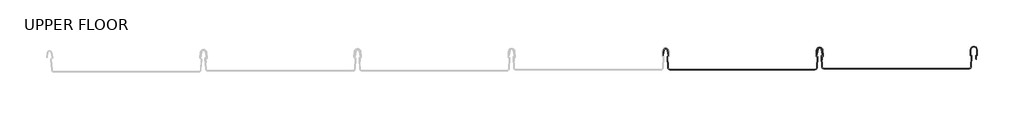
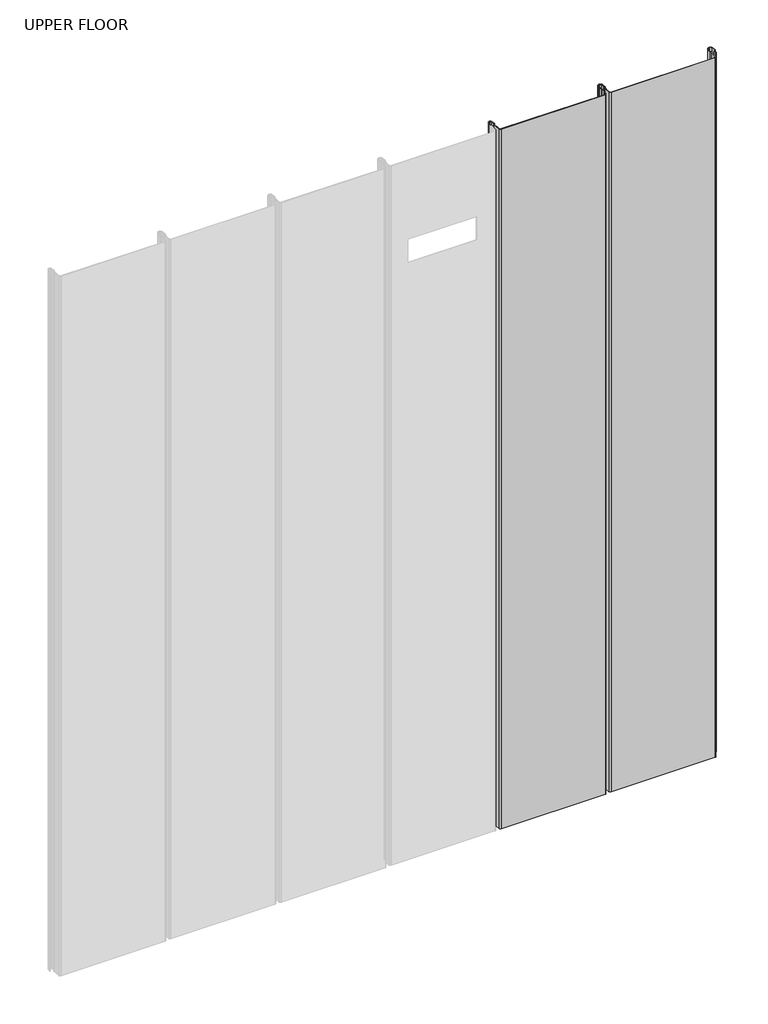
# One storey, part 3 of 3: 2 beams.
"""IFC4 building model written with IfcOpenShell, lengths in millimetres."""

from ifc_helpers import new_model, si_unit, frame, origin, place, context, project, spatial, polyline, circle_curve, element, save
from ifc_brep_helpers import plane_surface, cylinder_surface, revolved_surface, advanced_brep

model = new_model("IFC4")

# Units and contexts
model_context = context("Model", 3, world=origin())
ifc_project = project(units=[si_unit("LENGTHUNIT", "METRE", prefix="MILLI")], contexts=[model_context])

# Site, building, storey
site = spatial("IfcSite", under=ifc_project)
building = spatial("IfcBuilding", under=site)
storey = spatial("IfcBuildingStorey", under=building, Name="UPPER FLOOR", Elevation=2700.0)

# Beams
placement = place(None, origin())
element("IfcBeam", 1, at=placement, inside=storey, context=model_context, shape_type="AdvancedBrep", body=[
    advanced_brep(
    [(6877.4693205, 569.3410255, -2290.7143486), (6882.0033459, 573.1166043, -2290.7143486), (6886.5101604, 569.4772804, -2290.7143486), (6888.9571599, 558.1183435, -2290.7143486), (6887.2985005, 555.6639441, -2290.7143486), (6886.1293357, 553.9529039, -2290.7143486), (6887.6198573, 530.5432129, -2290.7143486), (6891.314309, 527.0783205, -2290.7143486), (7211.5632618, 527.0783205, -2290.7143486), (7215.2560391, 530.5472462, -2290.7143486), (7216.7255424, 554.0312459, -2290.7143486), (7216.0976147, 554.9646638, -2290.7143486), (7213.8859769, 558.0304554, -2290.7143486), (7214.7695156, 569.2069584, -2290.7143486), (7221.9991676, 575.8876384, -2290.7143486), (7229.2288196, 569.2069584, -2290.7143486), (7230.1123584, 558.0304554, -2290.7143486), (7227.9007205, 554.9646638, -2290.7143486), (7227.2727928, 554.0312459, -2290.7143486), (7227.6645073, 547.7712922, -2290.7143486), (7226.6625514, 547.7712922, -2290.7143486), (7226.2551426, 554.2820555, -2290.7143486), (7227.6605586, 555.9355176, -2290.7143486), (7229.1149792, 557.951648, -2290.7143486), (7228.2252887, 569.2059678, -2290.7143486), (7221.9991676, 574.8876384, -2290.7143486), (7215.7663116, 569.1269616, -2290.7143486), (7214.8787128, 557.8717606, -2290.7143486), (7216.3377766, 555.9355176, -2290.7143486), (7217.7431926, 554.2820555, -2290.7143486), (7216.2540871, 530.4847937, -2290.7143486), (7211.5632618, 526.0783205, -2290.7143486), (6891.3145541, 526.0783205, -2290.7143486), (6886.6218781, 530.4796704, -2290.7143486), (6885.1311436, 553.8927056, -2290.7143486), (6887.0347244, 556.629318, -2290.7143486), (6887.9713677, 557.9458683, -2290.7143486), (6885.5556827, 569.1502015, -2290.7143486), (6881.9928369, 572.11759, -2290.7143486), (6878.5188427, 569.5218997, -2290.7143486), (6876.4915919, 558.4139092, -2290.7143486), (6875.491732, 558.5979639, -2290.7143486), (7229.1149792, 557.951648, -10.7143486), (7228.2252887, 569.2059678, -10.7143486), (7227.6645073, 547.7712922, -10.7143486), (7226.6625514, 547.7712922, -10.7143486), (6876.4915919, 558.4139092, -10.7143486), (6875.491732, 558.5979639, -10.7143486), (6877.4693205, 569.3410255, -10.7143486), (6878.5188427, 569.5218997, -10.7143486), (6881.9928369, 572.11759, -10.7143486), (6885.5556827, 569.1502015, -10.7143486), (6887.9713677, 557.9458683, -10.7143486), (6887.0347244, 556.629318, -10.7143486), (6885.1311436, 553.8927056, -10.7143486), (6886.6218781, 530.4796704, -10.7143486), (6891.3145541, 526.0783205, -10.7143486), (7211.5632618, 526.0783205, -10.7143486), (7216.2540871, 530.4847937, -10.7143486), (7217.7431926, 554.2820555, -10.7143486), (7216.3377766, 555.9355176, -10.7143486), (7214.8787128, 557.8717606, -10.7143486), (7215.7663116, 569.1269616, -10.7143486), (7221.9991676, 574.8876384, -10.7143486), (7227.6605586, 555.9355176, -10.7143486), (7226.2551426, 554.2820555, -10.7143486), (7227.2727928, 554.0312459, -10.7143486), (7227.9007205, 554.9646638, -10.7143486), (7230.1057697, 558.1138004, -10.7143486), (7229.2288196, 569.2069584, -10.7143486), (7221.9991676, 575.8876384, -10.7143486), (7214.7695156, 569.2069584, -10.7143486), (7213.8859769, 558.0304554, -10.7143486), (7216.0976147, 554.9646638, -10.7143486), (7216.7255424, 554.0312459, -10.7143486), (7215.2560391, 530.5472462, -10.7143486), (7211.5632618, 527.0783205, -10.7143486), (6891.314309, 527.0783205, -10.7143486), (6887.6198573, 530.5432129, -10.7143486), (6886.1293357, 553.9529039, -10.7143486), (6887.2985005, 555.6639441, -10.7143486), (6888.9571599, 558.1183435, -10.7143486), (6886.5101604, 569.4772804, -10.7143486), (6882.0033459, 573.1166043, -10.7143486)],
    [
        (0, 1, circle_curve(frame((6882.0033459, 568.5063997, -2290.7143486), z_axis=(0.0, 0.0, -1.0), x_axis=(-1.0000000000000002, 0.0, 0.0)), 4.6102046)),
        (1, 2, circle_curve(frame((6882.0033459, 568.5063997, -2290.7143486), z_axis=(0.0, 0.0, -1.0), x_axis=(-0.21059384440200676, 0.9775736456656264, 0.0)), 4.6102046)),
        (2, 3),
        (3, 4, circle_curve(frame((6886.5729674, 557.941905, -2290.7143486), z_axis=(0.0, 0.0, -1.0), x_axis=(0.9528378408797891, 0.30347989881957954, 0.0)), 2.3907121)),
        (4, 5, circle_curve(frame((6887.8093981, 554.0598754, -2290.7143486), z_axis=(0.0, 0.0, 1.0), x_axis=(-0.06354246328301918, 0.9979791357337721, 0.0)), 1.6834645)),
        (5, 6),
        (6, 7, circle_curve(frame((6891.3123801, 530.77832, -2290.7143486), z_axis=(0.0, 0.0, 1.0), x_axis=(-0.9999998641088235, -0.0005213274739309239, 0.0)), 3.7)),
        (7, 8),
        (8, 9, circle_curve(frame((7211.5632618, 530.7783205, -2290.7143486), z_axis=(0.0, 0.0, 1.0), x_axis=(-0.06245250868722483, -0.9980479368039756, 0.0)), 3.7)),
        (9, 10),
        (10, 11, circle_curve(frame((7215.8035725, 554.0889378, -2290.7143486), z_axis=(0.0, 0.0, 1.0), x_axis=(0.9479881328261022, -0.3183056707331505, 0.0)), 0.9237732)),
        (11, 12, circle_curve(frame((7216.797637, 557.8002792, -2290.7143486), z_axis=(0.0, 0.0, -1.0), x_axis=(-0.07880737243916829, -0.9968898625471295, 0.0)), 2.9207441)),
        (12, 13),
        (13, 14, circle_curve(frame((7221.9991676, 568.635431, -2290.7143486), z_axis=(0.0, 0.0, -1.0), x_axis=(-1.0000000000000002, 0.0, 0.0)), 7.2522073)),
        (14, 15, circle_curve(frame((7221.9991676, 568.635431, -2290.7143486), z_axis=(0.0, 0.0, -1.0), x_axis=(-0.07880737243912266, 0.9968898625471331, 0.0)), 7.2522073)),
        (15, 16),
        (16, 17, circle_curve(frame((7227.1992765, 557.8023845, -2290.7143486), z_axis=(0.0, 0.0, -1.0), x_axis=(0.9707819351134734, 0.239963402329064, 0.0)), 2.9231288)),
        (17, 18, circle_curve(frame((7228.1017148, 554.1515329, -2290.7143486), z_axis=(0.0, 0.0, 1.0), x_axis=(-0.14360843272178023, 0.9896345881441262, 0.0)), 0.8376041)),
        (18, 19),
        (19, 20, circle_curve(frame((7227.1635293, 547.7712922, -2290.7143486), z_axis=(0.0, 0.0, -1.0), x_axis=(0.0, -1.0000000000000002, 0.0)), 0.5009779)),
        (20, 21),
        (21, 22, circle_curve(frame((7228.1054587, 554.1333382, -2290.7143486), z_axis=(0.0, 0.0, -1.0), x_axis=(-0.9708537722163971, -0.2396725953737565, 0.0)), 1.856283)),
        (22, 23, circle_curve(frame((7227.2002088, 557.8002792, -2290.7143486), z_axis=(0.0, 0.0, 1.0), x_axis=(0.07880737243914217, -0.9968898625471315, 0.0)), 1.9207441)),
        (23, 24),
        (24, 25, circle_curve(frame((7222.076217, 568.7198638, -2290.7143486), z_axis=(0.0, 0.0, 1.0), x_axis=(0.999921980842138, 0.012491286112137758, 0.0)), 6.1682558)),
        (25, 26, circle_curve(frame((7222.0783419, 568.5497671, -2290.7143486), z_axis=(0.0, 0.0, 1.0), x_axis=(0.09106361391822018, 0.9958450774192509, 0.0)), 6.3383658)),
        (26, 27),
        (27, 28, circle_curve(frame((7216.7021576, 557.7279616, -2290.7143486), z_axis=(0.0, 0.0, 1.0), x_axis=(-0.9799562955839812, 0.19921259685401757, 0.0)), 1.8291061)),
        (28, 29, circle_curve(frame((7215.9878224, 554.2140407, -2290.7143486), z_axis=(0.0, 0.0, -1.0), x_axis=(-0.03871763325448475, 0.9992501913310659, 0.0)), 1.7566874)),
        (29, 30),
        (30, 31, circle_curve(frame((7211.5632618, 530.7783205, -2290.7143486), z_axis=(0.0, 0.0, -1.0), x_axis=(1.0000000000000002, 0.0, 0.0)), 4.7)),
        (31, 32),
        (32, 33, circle_curve(frame((6891.3145541, 530.7806379, -2290.7143486), z_axis=(0.0, 0.0, -1.0), x_axis=(0.0640040759428298, -0.9979496371374184, 0.0)), 4.7023174)),
        (33, 34),
        (34, 35, circle_curve(frame((6887.8052555, 554.0629693, -2290.7143486), z_axis=(0.0, 0.0, -1.0), x_axis=(-0.9577619201002142, -0.2875623487279782, 0.0)), 2.6795268)),
        (35, 36, circle_curve(frame((6886.9018817, 557.7152841, -2290.7143486), z_axis=(0.0, 0.0, 1.0), x_axis=(0.21075985505235648, -0.9775378680635908, 0.0)), 1.094061)),
        (36, 37),
        (37, 38, circle_curve(frame((6881.9928369, 568.495, -2290.7143486), z_axis=(0.0, 0.0, 1.0), x_axis=(1.0000000000000002, 0.0, 0.0)), 3.6225901)),
        (38, 39, circle_curve(frame((6881.9928369, 568.495, -2290.7143486), z_axis=(0.0, 0.0, 1.0), x_axis=(0.2834711363957499, 0.9589807687490415, 0.0)), 3.6225901)),
        (39, 40),
        (40, 41, circle_curve(frame((6875.9916619, 558.5059365, -2290.7143486), z_axis=(0.0, 0.0, -1.0), x_axis=(-0.18103878268247514, -0.9834759575937013, 0.0)), 0.5083296)),
        (41, 0),
        (42, 43),
        (43, 24),
        (23, 42),
        (44, 45, circle_curve(frame((7227.1635293, 547.7712922, -10.7143486), z_axis=(0.0, 0.0, -1.0), x_axis=(0.0, -1.0000000000000002, 0.0)), 0.5009779)),
        (45, 20),
        (19, 44),
        (46, 47, circle_curve(frame((6875.9916619, 558.5059365, -10.7143486), z_axis=(0.0, 0.0, -1.0), x_axis=(-0.18103878268247514, -0.9834759575937013, 0.0)), 0.5083296)),
        (47, 41),
        (40, 46),
        (48, 47),
        (46, 49),
        (49, 50, circle_curve(frame((6881.9928369, 568.495, -10.7143486), z_axis=(0.0, 0.0, -1.0), x_axis=(0.2834711363957499, 0.9589807687490415, 0.0)), 3.6225901)),
        (50, 51, circle_curve(frame((6881.9928369, 568.495, -10.7143486), z_axis=(0.0, 0.0, -1.0), x_axis=(1.0000000000000002, 0.0, 0.0)), 3.6225901)),
        (51, 52),
        (52, 53, circle_curve(frame((6886.9018817, 557.7152841, -10.7143486), z_axis=(0.0, 0.0, -1.0), x_axis=(0.21075985505235648, -0.9775378680635908, 0.0)), 1.094061)),
        (53, 54, circle_curve(frame((6887.8052555, 554.0629693, -10.7143486), z_axis=(0.0, 0.0, 1.0), x_axis=(-0.9577619201002142, -0.2875623487279782, 0.0)), 2.6795268)),
        (54, 55),
        (55, 56, circle_curve(frame((6891.3145541, 530.7806379, -10.7143486), z_axis=(0.0, 0.0, 1.0), x_axis=(0.0640040759428298, -0.9979496371374184, 0.0)), 4.7023174)),
        (56, 57),
        (57, 58, circle_curve(frame((7211.5632618, 530.7783205, -10.7143486), z_axis=(0.0, 0.0, 1.0), x_axis=(1.0000000000000002, 0.0, 0.0)), 4.7)),
        (58, 59),
        (59, 60, circle_curve(frame((7215.9878224, 554.2140407, -10.7143486), z_axis=(0.0, 0.0, 1.0), x_axis=(-0.03871763325448475, 0.9992501913310659, 0.0)), 1.7566874)),
        (60, 61, circle_curve(frame((7216.7021576, 557.7279616, -10.7143486), z_axis=(0.0, 0.0, -1.0), x_axis=(-0.9799562955839812, 0.19921259685401757, 0.0)), 1.8291061)),
        (61, 62),
        (62, 63, circle_curve(frame((7222.0783419, 568.5497671, -10.7143486), z_axis=(0.0, 0.0, -1.0), x_axis=(0.09106361391822018, 0.9958450774192509, 0.0)), 6.3383658)),
        (63, 43, circle_curve(frame((7222.076217, 568.7198638, -10.7143486), z_axis=(0.0, 0.0, -1.0), x_axis=(0.999921980842138, 0.012491286112137758, 0.0)), 6.1682558)),
        (42, 64, circle_curve(frame((7227.2002088, 557.8002792, -10.7143486), z_axis=(0.0, 0.0, -1.0), x_axis=(0.07880737243914217, -0.9968898625471315, 0.0)), 1.9207441)),
        (64, 65, circle_curve(frame((7228.1054587, 554.1333382, -10.7143486), z_axis=(0.0, 0.0, 1.0), x_axis=(-0.9708537722163971, -0.2396725953737565, 0.0)), 1.856283)),
        (65, 45),
        (44, 66),
        (66, 67, circle_curve(frame((7228.1017148, 554.1515329, -10.7143486), z_axis=(0.0, 0.0, -1.0), x_axis=(-0.14360843272178023, 0.9896345881441262, 0.0)), 0.8376041)),
        (67, 68, circle_curve(frame((7227.1992765, 557.8023845, -10.7143486), z_axis=(0.0, 0.0, 1.0), x_axis=(0.9707819351134734, 0.239963402329064, 0.0)), 2.9231288)),
        (68, 69),
        (69, 70, circle_curve(frame((7221.9991676, 568.635431, -10.7143486), z_axis=(0.0, 0.0, 1.0), x_axis=(-0.07880737243912266, 0.9968898625471331, 0.0)), 7.2522073)),
        (70, 71, circle_curve(frame((7221.9991676, 568.635431, -10.7143486), z_axis=(0.0, 0.0, 1.0), x_axis=(-1.0000000000000002, 0.0, 0.0)), 7.2522073)),
        (71, 72),
        (72, 73, circle_curve(frame((7216.797637, 557.8002792, -10.7143486), z_axis=(0.0, 0.0, 1.0), x_axis=(-0.07880737243916829, -0.9968898625471295, 0.0)), 2.9207441)),
        (73, 74, circle_curve(frame((7215.8035725, 554.0889378, -10.7143486), z_axis=(0.0, 0.0, -1.0), x_axis=(0.9479881328261022, -0.3183056707331505, 0.0)), 0.9237732)),
        (74, 75),
        (75, 76, circle_curve(frame((7211.5632618, 530.7783205, -10.7143486), z_axis=(0.0, 0.0, -1.0), x_axis=(-0.06245250868722483, -0.9980479368039756, 0.0)), 3.7)),
        (76, 77),
        (77, 78, circle_curve(frame((6891.3123801, 530.77832, -10.7143486), z_axis=(0.0, 0.0, -1.0), x_axis=(-0.9999998641088235, -0.0005213274739309239, 0.0)), 3.7)),
        (78, 79),
        (79, 80, circle_curve(frame((6887.8093981, 554.0598754, -10.7143486), z_axis=(0.0, 0.0, -1.0), x_axis=(-0.06354246328301918, 0.9979791357337721, 0.0)), 1.6834645)),
        (80, 81, circle_curve(frame((6886.5729674, 557.941905, -10.7143486), z_axis=(0.0, 0.0, 1.0), x_axis=(0.9528378408797891, 0.30347989881957954, 0.0)), 2.3907121)),
        (81, 82),
        (82, 83, circle_curve(frame((6882.0033459, 568.5063997, -10.7143486), z_axis=(0.0, 0.0, 1.0), x_axis=(-0.21059384440200676, 0.9775736456656264, 0.0)), 4.6102046)),
        (83, 48, circle_curve(frame((6882.0033459, 568.5063997, -10.7143486), z_axis=(0.0, 0.0, 1.0), x_axis=(-1.0000000000000002, 0.0, 0.0)), 4.6102046)),
        (48, 0),
        (39, 49),
        (38, 50),
        (37, 51),
        (36, 52),
        (35, 53),
        (34, 54),
        (33, 55),
        (32, 56),
        (31, 57),
        (30, 58),
        (29, 59),
        (28, 60),
        (27, 61),
        (26, 62),
        (25, 63),
        (22, 64),
        (21, 65),
        (18, 66),
        (17, 67),
        (16, 68),
        (15, 69),
        (14, 70),
        (13, 71),
        (12, 72),
        (11, 73),
        (10, 74),
        (9, 75),
        (8, 76),
        (7, 77),
        (6, 78),
        (5, 79),
        (4, 80),
        (3, 81),
        (2, 82),
        (1, 83),
    ],
    [
        plane_surface(frame((6875.491732, 558.5979639, -2290.7143486), z_axis=(0.0, 0.0, -1.0), x_axis=(0.18103878268248982, 0.9834759575936985, 0.0))),
        plane_surface(frame((7228.670134, 563.5788079, -2290.7143486), z_axis=(-0.9968898625470922, -0.07880737243963654, 0.0), x_axis=(0.07880737243963654, -0.9968898625470922, 0.0))),
        cylinder_surface(frame((7227.1635293, 547.7712922, -2290.7143486), z_axis=(0.0, 0.0, 1.0000000000000002), x_axis=(0.0, -1.0000000000000002, 0.0)), 0.5009779),
        cylinder_surface(frame((6875.9916619, 558.5059365, -2290.7143486), z_axis=(0.0, 0.0, 1.0000000000000002), x_axis=(-0.18103878268247514, -0.9834759575937013, 0.0)), 0.5083296),
        plane_surface(frame((6875.491732, 558.5979639, -10.7143486), z_axis=(0.0, 0.0, 1.0), x_axis=(-0.18103878268248982, -0.9834759575936985, 0.0))),
        plane_surface(frame((6876.4805263, 563.9694947, -2290.7143486), z_axis=(-0.9834759575937928, 0.18103878268197757, 0.0), x_axis=(-0.18103878268197757, -0.9834759575937928, 0.0))),
        plane_surface(frame((6877.5052173, 563.9679044, -2290.7143486), z_axis=(0.9837509798366513, -0.1795383236816822, 0.0), x_axis=(0.1795383236816822, 0.9837509798366513, 0.0))),
        revolved_surface(polyline([(6883.019736632343, 571.9689942389607, -10.714348599999084), (6883.019736632343, 571.9689942389607, -2290.7143486)]), (6881.9928369, 568.495, -2290.7143486), (0.0, 0.0, 1.0000000000000002)),
        revolved_surface(polyline([(6885.615427, 568.495, -10.714348599999084), (6885.615427, 568.495, -2290.7143486)]), (6881.9928369, 568.495, -2290.7143486), (0.0, 0.0, 1.0000000000000002)),
        plane_surface(frame((6886.7635252, 563.5480349, -2290.7143486), z_axis=(-0.9775378680634894, -0.21075985505282563, 0.0), x_axis=(0.21075985505282563, -0.9775378680634894, 0.0))),
        revolved_surface(polyline([(6887.132465837778, 556.6457980425284, -10.714348599999084), (6887.132465837778, 556.6457980425284, -2290.7143486)]), (6886.9018817, 557.7152841, -2290.7143486), (0.0, 0.0, 1.0000000000000002)),
        cylinder_surface(frame((6887.8052555, 554.0629693, -2290.7143486), z_axis=(0.0, 0.0, 1.0000000000000002), x_axis=(-0.9577619201002142, -0.2875623487279782, 0.0)), 2.6795268),
        plane_surface(frame((6885.8765109, 542.186188, -2290.7143486), z_axis=(-0.9979791357337515, -0.06354246328333876, 0.0), x_axis=(0.06354246328333876, -0.9979791357337515, 0.0))),
        cylinder_surface(frame((6891.3145541, 530.7806379, -2290.7143486), z_axis=(0.0, 0.0, 1.0000000000000002), x_axis=(0.0640040759428298, -0.9979496371374184, 0.0)), 4.7023174),
        plane_surface(frame((7051.4389079, 526.0783205, -2290.7143486), z_axis=(0.0, -1.0, 0.0), x_axis=(1.0, 0.0, 0.0))),
        cylinder_surface(frame((7211.5632618, 530.7783205, -2290.7143486), z_axis=(0.0, 0.0, 1.0000000000000002), x_axis=(1.0000000000000002, 0.0, 0.0)), 4.7),
        plane_surface(frame((7216.9986398, 542.3834246, -2290.7143486), z_axis=(0.9980479368039599, -0.06245250868747559, 0.0), x_axis=(0.06245250868747559, 0.9980479368039599, 0.0))),
        cylinder_surface(frame((7215.9878224, 554.2140407, -2290.7143486), z_axis=(0.0, 0.0, 1.0000000000000002), x_axis=(-0.03871763325448475, 0.9992501913310659, 0.0)), 1.7566874),
        revolved_surface(polyline([(7214.909713562014, 558.0923425761025, -10.714348599999084), (7214.909713562014, 558.0923425761025, -2290.7143486)]), (7216.7021576, 557.7279616, -2290.7143486), (0.0, 0.0, 1.0000000000000002)),
        plane_surface(frame((7215.3225122, 563.4993611, -2290.7143486), z_axis=(0.9969048840807633, -0.0786171234268975, 0.0), x_axis=(0.0786171234268975, 0.9969048840807633, 0.0))),
        revolved_surface(polyline([(7222.655536396083, 574.8617974808126, -10.714348599999084), (7222.655536396083, 574.8617974808126, -2290.7143486)]), (7222.0783419, 568.5497671, -2290.7143486), (0.0, 0.0, 1.0000000000000002)),
        revolved_surface(polyline([(7228.243991557877, 568.7969132480106, -10.714348599999084), (7228.243991557877, 568.7969132480106, -2290.7143486)]), (7222.076217, 568.7198638, -2290.7143486), (0.0, 0.0, 1.0000000000000002)),
        revolved_surface(polyline([(7227.351577595649, 555.8855088781628, -10.714348599999084), (7227.351577595649, 555.8855088781628, -2290.7143486)]), (7227.2002088, 557.8002792, -2290.7143486), (0.0, 0.0, 1.0000000000000002)),
        cylinder_surface(frame((7228.1054587, 554.1333382, -2290.7143486), z_axis=(0.0, 0.0, 1.0000000000000002), x_axis=(-0.9708537722163971, -0.2396725953737565, 0.0)), 1.856283),
        plane_surface(frame((7226.458847, 551.0266738, -2290.7143486), z_axis=(-0.9980479368039223, -0.06245250868807291, 0.0), x_axis=(0.06245250868807291, -0.9980479368039223, 0.0))),
        plane_surface(frame((7227.46865, 550.901269, -2290.7143486), z_axis=(0.9980479368040359, 0.06245250868625923, 0.0), x_axis=(-0.06245250868625923, 0.9980479368040359, 0.0))),
        revolved_surface(polyline([(7227.981427787958, 554.9804548885313, -10.714348599999084), (7227.981427787958, 554.9804548885313, -2290.7143486)]), (7228.1017148, 554.1515329, -2290.7143486), (0.0, 0.0, 1.0000000000000002)),
        cylinder_surface(frame((7227.1992765, 557.8023845, -2290.7143486), z_axis=(0.0, 0.0, 1.0000000000000002), x_axis=(0.9707819351134734, 0.239963402329064, 0.0)), 2.9231288),
        plane_surface(frame((7229.670589, 563.6187069, -2290.7143486), z_axis=(0.9968898625471736, 0.07880737243860805, 0.0), x_axis=(-0.07880737243860805, 0.9968898625471736, 0.0))),
        cylinder_surface(frame((7221.9991676, 568.635431, -2290.7143486), z_axis=(0.0, 0.0, 1.0000000000000002), x_axis=(-0.07880737243912266, 0.9968898625471331, 0.0)), 7.2522073),
        cylinder_surface(frame((7221.9991676, 568.635431, -2290.7143486), z_axis=(0.0, 0.0, 1.0000000000000002), x_axis=(-1.0000000000000002, 0.0, 0.0)), 7.2522073),
        plane_surface(frame((7214.3277462, 563.6187069, -2290.7143486), z_axis=(-0.996889862547171, 0.07880737243863997, 0.0), x_axis=(-0.07880737243863997, -0.996889862547171, 0.0))),
        cylinder_surface(frame((7216.797637, 557.8002792, -2290.7143486), z_axis=(0.0, 0.0, 1.0000000000000002), x_axis=(-0.07880737243916829, -0.9968898625471295, 0.0)), 2.9207441),
        revolved_surface(polyline([(7216.679298531023, 553.7948955519687, -10.714348599999084), (7216.679298531023, 553.7948955519687, -2290.7143486)]), (7215.8035725, 554.0889378, -2290.7143486), (0.0, 0.0, 1.0000000000000002)),
        plane_surface(frame((7215.9907908, 542.289246, -2290.7143486), z_axis=(-0.9980479368039905, 0.06245250868698511, 0.0), x_axis=(-0.06245250868698511, -0.9980479368039905, 0.0))),
        revolved_surface(polyline([(7211.332187517857, 527.0855431338252, -10.714348599999084), (7211.332187517857, 527.0855431338252, -2290.7143486)]), (7211.5632618, 530.7783205, -2290.7143486), (0.0, 0.0, 1.0000000000000002)),
        plane_surface(frame((7051.4387854, 527.0783205, -2290.7143486), z_axis=(0.0, 1.0, 0.0), x_axis=(-1.0, 0.0, 0.0))),
        revolved_surface(polyline([(6887.612380602797, 530.7763910883465, -10.714348599999084), (6887.612380602797, 530.7763910883465, -2290.7143486)]), (6891.3123801, 530.77832, -2290.7143486), (0.0, 0.0, 1.0000000000000002)),
        plane_surface(frame((6886.8745965, 542.2480584, -2290.7143486), z_axis=(0.9979791357337829, 0.06354246328284437, 0.0), x_axis=(-0.06354246328284437, 0.9979791357337829, 0.0))),
        revolved_surface(polyline([(6887.702426618821, 555.7399378467485, -10.714348599999084), (6887.702426618821, 555.7399378467485, -2290.7143486)]), (6887.8093981, 554.0598754, -2290.7143486), (0.0, 0.0, 1.0000000000000002)),
        cylinder_surface(frame((6886.5729674, 557.941905, -2290.7143486), z_axis=(0.0, 0.0, 1.0000000000000002), x_axis=(0.9528378408797891, 0.30347989881957954, 0.0)), 2.3907121),
        plane_surface(frame((6887.7336601, 563.7978119, -2290.7143486), z_axis=(0.9775736456657299, 0.21059384440152557, 0.0), x_axis=(-0.21059384440152557, 0.9775736456657299, 0.0))),
        cylinder_surface(frame((6882.0033459, 568.5063997, -2290.7143486), z_axis=(0.0, 0.0, 1.0000000000000002), x_axis=(-0.21059384440200676, 0.9775736456656264, 0.0)), 4.6102046),
        cylinder_surface(frame((6882.0033459, 568.5063997, -2290.7143486), z_axis=(0.0, 0.0, 1.0000000000000002), x_axis=(-1.0000000000000002, 0.0, 0.0)), 4.6102046),
    ],
    [
        (0, [[1, 2, 3, 4, 5, 6, 7, 8, 9, 10, 11, 12, 13, 14, 15, 16, 17, 18, 19, 20, 21, 22, 23, 24, 25, 26, 27, 28, 29, 30, 31, 32, 33, 34, 35, 36, 37, 38, 39, 40, 41, 42]]),
        (1, [[43, 44, -24, 45]]),
        (2, [[46, 47, -20, 48]]),
        (3, [[49, 50, -41, 51]]),
        (4, [[52, -49, 53, 54, 55, 56, 57, 58, 59, 60, 61, 62, 63, 64, 65, 66, 67, 68, -43, 69, 70, 71, -46, 72, 73, 74, 75, 76, 77, 78, 79, 80, 81, 82, 83, 84, 85, 86, 87, 88, 89, 90]]),
        (5, [[-52, 91, -42, -50]]),
        (6, [[-53, -51, -40, 92]]),
        (7, [[-54, -92, -39, 93]]),
        (8, [[-55, -93, -38, 94]]),
        (9, [[-56, -94, -37, 95]]),
        (10, [[-57, -95, -36, 96]]),
        (11, [[-58, -96, -35, 97]]),
        (12, [[-59, -97, -34, 98]]),
        (13, [[-60, -98, -33, 99]]),
        (14, [[-61, -99, -32, 100]]),
        (15, [[-62, -100, -31, 101]]),
        (16, [[-63, -101, -30, 102]]),
        (17, [[-64, -102, -29, 103]]),
        (18, [[-65, -103, -28, 104]]),
        (19, [[-66, -104, -27, 105]]),
        (20, [[-67, -105, -26, 106]]),
        (21, [[-68, -106, -25, -44]]),
        (22, [[-69, -45, -23, 107]]),
        (23, [[-70, -107, -22, 108]]),
        (24, [[-71, -108, -21, -47]]),
        (25, [[-72, -48, -19, 109]]),
        (26, [[-73, -109, -18, 110]]),
        (27, [[-74, -110, -17, 111]]),
        (28, [[-75, -111, -16, 112]]),
        (29, [[-76, -112, -15, 113]]),
        (30, [[-77, -113, -14, 114]]),
        (31, [[-78, -114, -13, 115]]),
        (32, [[-79, -115, -12, 116]]),
        (33, [[-80, -116, -11, 117]]),
        (34, [[-81, -117, -10, 118]]),
        (35, [[-82, -118, -9, 119]]),
        (36, [[-83, -119, -8, 120]]),
        (37, [[-84, -120, -7, 121]]),
        (38, [[-85, -121, -6, 122]]),
        (39, [[-86, -122, -5, 123]]),
        (40, [[-87, -123, -4, 124]]),
        (41, [[-88, -124, -3, 125]]),
        (42, [[-89, -125, -2, 126]]),
        (43, [[-90, -126, -1, -91]]),
    ],
),
])
element("IfcBeam", 2, at=placement, inside=storey, context=model_context, shape_type="AdvancedBrep", body=[
    advanced_brep(
    [(7217.417454, 571.3409644, -2290.7143486), (7221.9514794, 575.1165431, -2290.7143486), (7226.4582939, 571.4772193, -2290.7143486), (7228.9052933, 560.1182823, -2290.7143486), (7227.246634, 557.6638829, -2290.7143486), (7226.0774692, 555.9528428, -2290.7143486), (7227.5679907, 532.5431518, -2290.7143486), (7231.2624424, 529.0782594, -2290.7143486), (7551.5113952, 529.0782594, -2290.7143486), (7555.2041726, 532.5471851, -2290.7143486), (7556.6736758, 556.0311847, -2290.7143486), (7556.0457482, 556.9646027, -2290.7143486), (7553.8341103, 560.0303943, -2290.7143486), (7554.7176491, 571.2068973, -2290.7143486), (7561.9473011, 577.8875772, -2290.7143486), (7569.176953, 571.2068973, -2290.7143486), (7570.0604918, 560.0303943, -2290.7143486), (7567.8488539, 556.9646027, -2290.7143486), (7567.2209263, 556.0311847, -2290.7143486), (7567.6126407, 549.7712311, -2290.7143486), (7566.6106849, 549.7712311, -2290.7143486), (7566.2032761, 556.2819943, -2290.7143486), (7567.608692, 557.9354564, -2290.7143486), (7569.0631126, 559.9515869, -2290.7143486), (7568.1734222, 571.2059067, -2290.7143486), (7561.9473011, 576.8875772, -2290.7143486), (7555.714445, 571.1269005, -2290.7143486), (7554.8268463, 559.8716995, -2290.7143486), (7556.2859101, 557.9354564, -2290.7143486), (7557.6913261, 556.2819943, -2290.7143486), (7556.2022205, 532.4847326, -2290.7143486), (7551.5113952, 528.0782594, -2290.7143486), (7231.2626875, 528.0782594, -2290.7143486), (7226.5700116, 532.4796093, -2290.7143486), (7225.0792771, 555.8926444, -2290.7143486), (7226.9828579, 558.6292569, -2290.7143486), (7227.9195012, 559.9458071, -2290.7143486), (7225.5038161, 571.1501403, -2290.7143486), (7221.9409704, 574.1175289, -2290.7143486), (7218.4669762, 571.5218386, -2290.7143486), (7216.4397254, 560.413848, -2290.7143486), (7215.4398655, 560.5979028, -2290.7143486), (7569.0631126, 559.9515869, -10.7143486), (7568.1734222, 571.2059067, -10.7143486), (7567.6126407, 549.7712311, -10.7143486), (7566.6106849, 549.7712311, -10.7143486), (7216.4397254, 560.413848, -10.7143486), (7215.4398655, 560.5979028, -10.7143486), (7217.417454, 571.3409644, -10.7143486), (7218.4669762, 571.5218386, -10.7143486), (7221.9409704, 574.1175289, -10.7143486), (7225.5038161, 571.1501403, -10.7143486), (7227.9195012, 559.9458071, -10.7143486), (7226.9828579, 558.6292569, -10.7143486), (7225.0792771, 555.8926444, -10.7143486), (7226.5700116, 532.4796093, -10.7143486), (7231.2626875, 528.0782594, -10.7143486), (7551.5113952, 528.0782594, -10.7143486), (7556.2022205, 532.4847326, -10.7143486), (7557.6913261, 556.2819943, -10.7143486), (7556.2859101, 557.9354564, -10.7143486), (7554.8268463, 559.8716995, -10.7143486), (7555.714445, 571.1269005, -10.7143486), (7561.9473011, 576.8875772, -10.7143486), (7567.608692, 557.9354564, -10.7143486), (7566.2032761, 556.2819943, -10.7143486), (7567.2209263, 556.0311847, -10.7143486), (7567.8488539, 556.9646027, -10.7143486), (7570.0539031, 560.1137392, -10.7143486), (7569.176953, 571.2068973, -10.7143486), (7561.9473011, 577.8875772, -10.7143486), (7554.7176491, 571.2068973, -10.7143486), (7553.8341103, 560.0303943, -10.7143486), (7556.0457482, 556.9646027, -10.7143486), (7556.6736758, 556.0311847, -10.7143486), (7555.2041726, 532.5471851, -10.7143486), (7551.5113952, 529.0782594, -10.7143486), (7231.2624424, 529.0782594, -10.7143486), (7227.5679907, 532.5431518, -10.7143486), (7226.0774692, 555.9528428, -10.7143486), (7227.246634, 557.6638829, -10.7143486), (7228.9052933, 560.1182823, -10.7143486), (7226.4582939, 571.4772193, -10.7143486), (7221.9514794, 575.1165431, -10.7143486)],
    [
        (0, 1, circle_curve(frame((7221.9514794, 570.5063386, -2290.7143486), z_axis=(0.0, 0.0, -1.0), x_axis=(-1.0000000000000002, 0.0, 0.0)), 4.6102046)),
        (1, 2, circle_curve(frame((7221.9514794, 570.5063386, -2290.7143486), z_axis=(0.0, 0.0, -1.0), x_axis=(-0.21059384440200676, 0.9775736456656264, 0.0)), 4.6102046)),
        (2, 3),
        (3, 4, circle_curve(frame((7226.5211009, 559.9418438, -2290.7143486), z_axis=(0.0, 0.0, -1.0), x_axis=(0.9528378408797891, 0.30347989881957954, 0.0)), 2.3907121)),
        (4, 5, circle_curve(frame((7227.7575316, 556.0598143, -2290.7143486), z_axis=(0.0, 0.0, 1.0), x_axis=(-0.06354246328301918, 0.9979791357337721, 0.0)), 1.6834645)),
        (5, 6),
        (6, 7, circle_curve(frame((7231.2605135, 532.7782589, -2290.7143486), z_axis=(0.0, 0.0, 1.0), x_axis=(-0.9999998641088235, -0.0005213274739309239, 0.0)), 3.7)),
        (7, 8),
        (8, 9, circle_curve(frame((7551.5113952, 532.7782594, -2290.7143486), z_axis=(0.0, 0.0, 1.0), x_axis=(-0.06245250868722483, -0.9980479368039756, 0.0)), 3.7)),
        (9, 10),
        (10, 11, circle_curve(frame((7555.751706, 556.0888767, -2290.7143486), z_axis=(0.0, 0.0, 1.0), x_axis=(0.9479881328261022, -0.3183056707331505, 0.0)), 0.9237732)),
        (11, 12, circle_curve(frame((7556.7457705, 559.8002181, -2290.7143486), z_axis=(0.0, 0.0, -1.0), x_axis=(-0.07880737243916829, -0.9968898625471295, 0.0)), 2.9207441)),
        (12, 13),
        (13, 14, circle_curve(frame((7561.9473011, 570.6353699, -2290.7143486), z_axis=(0.0, 0.0, -1.0), x_axis=(-1.0000000000000002, 0.0, 0.0)), 7.2522073)),
        (14, 15, circle_curve(frame((7561.9473011, 570.6353699, -2290.7143486), z_axis=(0.0, 0.0, -1.0), x_axis=(-0.07880737243912266, 0.9968898625471331, 0.0)), 7.2522073)),
        (15, 16),
        (16, 17, circle_curve(frame((7567.14741, 559.8023233, -2290.7143486), z_axis=(0.0, 0.0, -1.0), x_axis=(0.9707819351134734, 0.239963402329064, 0.0)), 2.9231288)),
        (17, 18, circle_curve(frame((7568.0498483, 556.1514717, -2290.7143486), z_axis=(0.0, 0.0, 1.0), x_axis=(-0.14360843272178023, 0.9896345881441262, 0.0)), 0.8376041)),
        (18, 19),
        (19, 20, circle_curve(frame((7567.1116628, 549.7712311, -2290.7143486), z_axis=(0.0, 0.0, -1.0), x_axis=(0.0, -1.0000000000000002, 0.0)), 0.5009779)),
        (20, 21),
        (21, 22, circle_curve(frame((7568.0535922, 556.1332771, -2290.7143486), z_axis=(0.0, 0.0, -1.0), x_axis=(-0.9708537722163971, -0.2396725953737565, 0.0)), 1.856283)),
        (22, 23, circle_curve(frame((7567.1483423, 559.8002181, -2290.7143486), z_axis=(0.0, 0.0, 1.0), x_axis=(0.07880737243914217, -0.9968898625471315, 0.0)), 1.9207441)),
        (23, 24),
        (24, 25, circle_curve(frame((7562.0243505, 570.7198027, -2290.7143486), z_axis=(0.0, 0.0, 1.0), x_axis=(0.999921980842138, 0.012491286112137758, 0.0)), 6.1682558)),
        (25, 26, circle_curve(frame((7562.0264754, 570.549706, -2290.7143486), z_axis=(0.0, 0.0, 1.0), x_axis=(0.09106361391822018, 0.9958450774192509, 0.0)), 6.3383658)),
        (26, 27),
        (27, 28, circle_curve(frame((7556.6502911, 559.7279004, -2290.7143486), z_axis=(0.0, 0.0, 1.0), x_axis=(-0.9799562955839812, 0.19921259685401757, 0.0)), 1.8291061)),
        (28, 29, circle_curve(frame((7555.9359558, 556.2139796, -2290.7143486), z_axis=(0.0, 0.0, -1.0), x_axis=(-0.03871763325448475, 0.9992501913310659, 0.0)), 1.7566874)),
        (29, 30),
        (30, 31, circle_curve(frame((7551.5113952, 532.7782594, -2290.7143486), z_axis=(0.0, 0.0, -1.0), x_axis=(1.0000000000000002, 0.0, 0.0)), 4.7)),
        (31, 32),
        (32, 33, circle_curve(frame((7231.2626875, 532.7805768, -2290.7143486), z_axis=(0.0, 0.0, -1.0), x_axis=(0.0640040759428298, -0.9979496371374184, 0.0)), 4.7023174)),
        (33, 34),
        (34, 35, circle_curve(frame((7227.7533889, 556.0629082, -2290.7143486), z_axis=(0.0, 0.0, -1.0), x_axis=(-0.9577619201002142, -0.2875623487279782, 0.0)), 2.6795268)),
        (35, 36, circle_curve(frame((7226.8500151, 559.715223, -2290.7143486), z_axis=(0.0, 0.0, 1.0), x_axis=(0.21075985505235648, -0.9775378680635908, 0.0)), 1.094061)),
        (36, 37),
        (37, 38, circle_curve(frame((7221.9409704, 570.4949389, -2290.7143486), z_axis=(0.0, 0.0, 1.0), x_axis=(1.0000000000000002, 0.0, 0.0)), 3.6225901)),
        (38, 39, circle_curve(frame((7221.9409704, 570.4949389, -2290.7143486), z_axis=(0.0, 0.0, 1.0), x_axis=(0.2834711363957499, 0.9589807687490415, 0.0)), 3.6225901)),
        (39, 40),
        (40, 41, circle_curve(frame((7215.9397954, 560.5058754, -2290.7143486), z_axis=(0.0, 0.0, -1.0), x_axis=(-0.18103878268247514, -0.9834759575937013, 0.0)), 0.5083296)),
        (41, 0),
        (42, 43),
        (43, 24),
        (23, 42),
        (44, 45, circle_curve(frame((7567.1116628, 549.7712311, -10.7143486), z_axis=(0.0, 0.0, -1.0), x_axis=(0.0, -1.0000000000000002, 0.0)), 0.5009779)),
        (45, 20),
        (19, 44),
        (46, 47, circle_curve(frame((7215.9397954, 560.5058754, -10.7143486), z_axis=(0.0, 0.0, -1.0), x_axis=(-0.18103878268247514, -0.9834759575937013, 0.0)), 0.5083296)),
        (47, 41),
        (40, 46),
        (48, 47),
        (46, 49),
        (49, 50, circle_curve(frame((7221.9409704, 570.4949389, -10.7143486), z_axis=(0.0, 0.0, -1.0), x_axis=(0.2834711363957499, 0.9589807687490415, 0.0)), 3.6225901)),
        (50, 51, circle_curve(frame((7221.9409704, 570.4949389, -10.7143486), z_axis=(0.0, 0.0, -1.0), x_axis=(1.0000000000000002, 0.0, 0.0)), 3.6225901)),
        (51, 52),
        (52, 53, circle_curve(frame((7226.8500151, 559.715223, -10.7143486), z_axis=(0.0, 0.0, -1.0), x_axis=(0.21075985505235648, -0.9775378680635908, 0.0)), 1.094061)),
        (53, 54, circle_curve(frame((7227.7533889, 556.0629082, -10.7143486), z_axis=(0.0, 0.0, 1.0), x_axis=(-0.9577619201002142, -0.2875623487279782, 0.0)), 2.6795268)),
        (54, 55),
        (55, 56, circle_curve(frame((7231.2626875, 532.7805768, -10.7143486), z_axis=(0.0, 0.0, 1.0), x_axis=(0.0640040759428298, -0.9979496371374184, 0.0)), 4.7023174)),
        (56, 57),
        (57, 58, circle_curve(frame((7551.5113952, 532.7782594, -10.7143486), z_axis=(0.0, 0.0, 1.0), x_axis=(1.0000000000000002, 0.0, 0.0)), 4.7)),
        (58, 59),
        (59, 60, circle_curve(frame((7555.9359558, 556.2139796, -10.7143486), z_axis=(0.0, 0.0, 1.0), x_axis=(-0.03871763325448475, 0.9992501913310659, 0.0)), 1.7566874)),
        (60, 61, circle_curve(frame((7556.6502911, 559.7279004, -10.7143486), z_axis=(0.0, 0.0, -1.0), x_axis=(-0.9799562955839812, 0.19921259685401757, 0.0)), 1.8291061)),
        (61, 62),
        (62, 63, circle_curve(frame((7562.0264754, 570.549706, -10.7143486), z_axis=(0.0, 0.0, -1.0), x_axis=(0.09106361391822018, 0.9958450774192509, 0.0)), 6.3383658)),
        (63, 43, circle_curve(frame((7562.0243505, 570.7198027, -10.7143486), z_axis=(0.0, 0.0, -1.0), x_axis=(0.999921980842138, 0.012491286112137758, 0.0)), 6.1682558)),
        (42, 64, circle_curve(frame((7567.1483423, 559.8002181, -10.7143486), z_axis=(0.0, 0.0, -1.0), x_axis=(0.07880737243914217, -0.9968898625471315, 0.0)), 1.9207441)),
        (64, 65, circle_curve(frame((7568.0535922, 556.1332771, -10.7143486), z_axis=(0.0, 0.0, 1.0), x_axis=(-0.9708537722163971, -0.2396725953737565, 0.0)), 1.856283)),
        (65, 45),
        (44, 66),
        (66, 67, circle_curve(frame((7568.0498483, 556.1514717, -10.7143486), z_axis=(0.0, 0.0, -1.0), x_axis=(-0.14360843272178023, 0.9896345881441262, 0.0)), 0.8376041)),
        (67, 68, circle_curve(frame((7567.14741, 559.8023233, -10.7143486), z_axis=(0.0, 0.0, 1.0), x_axis=(0.9707819351134734, 0.239963402329064, 0.0)), 2.9231288)),
        (68, 69),
        (69, 70, circle_curve(frame((7561.9473011, 570.6353699, -10.7143486), z_axis=(0.0, 0.0, 1.0), x_axis=(-0.07880737243912266, 0.9968898625471331, 0.0)), 7.2522073)),
        (70, 71, circle_curve(frame((7561.9473011, 570.6353699, -10.7143486), z_axis=(0.0, 0.0, 1.0), x_axis=(-1.0000000000000002, 0.0, 0.0)), 7.2522073)),
        (71, 72),
        (72, 73, circle_curve(frame((7556.7457705, 559.8002181, -10.7143486), z_axis=(0.0, 0.0, 1.0), x_axis=(-0.07880737243916829, -0.9968898625471295, 0.0)), 2.9207441)),
        (73, 74, circle_curve(frame((7555.751706, 556.0888767, -10.7143486), z_axis=(0.0, 0.0, -1.0), x_axis=(0.9479881328261022, -0.3183056707331505, 0.0)), 0.9237732)),
        (74, 75),
        (75, 76, circle_curve(frame((7551.5113952, 532.7782594, -10.7143486), z_axis=(0.0, 0.0, -1.0), x_axis=(-0.06245250868722483, -0.9980479368039756, 0.0)), 3.7)),
        (76, 77),
        (77, 78, circle_curve(frame((7231.2605135, 532.7782589, -10.7143486), z_axis=(0.0, 0.0, -1.0), x_axis=(-0.9999998641088235, -0.0005213274739309239, 0.0)), 3.7)),
        (78, 79),
        (79, 80, circle_curve(frame((7227.7575316, 556.0598143, -10.7143486), z_axis=(0.0, 0.0, -1.0), x_axis=(-0.06354246328301918, 0.9979791357337721, 0.0)), 1.6834645)),
        (80, 81, circle_curve(frame((7226.5211009, 559.9418438, -10.7143486), z_axis=(0.0, 0.0, 1.0), x_axis=(0.9528378408797891, 0.30347989881957954, 0.0)), 2.3907121)),
        (81, 82),
        (82, 83, circle_curve(frame((7221.9514794, 570.5063386, -10.7143486), z_axis=(0.0, 0.0, 1.0), x_axis=(-0.21059384440200676, 0.9775736456656264, 0.0)), 4.6102046)),
        (83, 48, circle_curve(frame((7221.9514794, 570.5063386, -10.7143486), z_axis=(0.0, 0.0, 1.0), x_axis=(-1.0000000000000002, 0.0, 0.0)), 4.6102046)),
        (48, 0),
        (39, 49),
        (38, 50),
        (37, 51),
        (36, 52),
        (35, 53),
        (34, 54),
        (33, 55),
        (32, 56),
        (31, 57),
        (30, 58),
        (29, 59),
        (28, 60),
        (27, 61),
        (26, 62),
        (25, 63),
        (22, 64),
        (21, 65),
        (18, 66),
        (17, 67),
        (16, 68),
        (15, 69),
        (14, 70),
        (13, 71),
        (12, 72),
        (11, 73),
        (10, 74),
        (9, 75),
        (8, 76),
        (7, 77),
        (6, 78),
        (5, 79),
        (4, 80),
        (3, 81),
        (2, 82),
        (1, 83),
    ],
    [
        plane_surface(frame((7215.4398655, 560.5979028, -2290.7143486), z_axis=(0.0, 0.0, -1.0), x_axis=(0.18103878268248982, 0.9834759575936985, 0.0))),
        plane_surface(frame((7568.6182674, 565.5787468, -2290.7143486), z_axis=(-0.9968898625470922, -0.07880737243963654, 0.0), x_axis=(0.07880737243963654, -0.9968898625470922, 0.0))),
        cylinder_surface(frame((7567.1116628, 549.7712311, -2290.7143486), z_axis=(0.0, 0.0, 1.0000000000000002), x_axis=(0.0, -1.0000000000000002, 0.0)), 0.5009779),
        cylinder_surface(frame((7215.9397954, 560.5058754, -2290.7143486), z_axis=(0.0, 0.0, 1.0000000000000002), x_axis=(-0.18103878268247514, -0.9834759575937013, 0.0)), 0.5083296),
        plane_surface(frame((7215.4398655, 560.5979028, -10.7143486), z_axis=(0.0, 0.0, 1.0), x_axis=(-0.18103878268248982, -0.9834759575936985, 0.0))),
        plane_surface(frame((7216.4286597, 565.9694336, -2290.7143486), z_axis=(-0.9834759575937928, 0.18103878268197757, 0.0), x_axis=(-0.18103878268197757, -0.9834759575937928, 0.0))),
        plane_surface(frame((7217.4533508, 565.9678433, -2290.7143486), z_axis=(0.9837509798366513, -0.1795383236816822, 0.0), x_axis=(0.1795383236816822, 0.9837509798366513, 0.0))),
        revolved_surface(polyline([(7222.967870132343, 573.9689331389607, -10.714348599999084), (7222.967870132343, 573.9689331389607, -2290.7143486)]), (7221.9409704, 570.4949389, -2290.7143486), (0.0, 0.0, 1.0000000000000002)),
        revolved_surface(polyline([(7225.5635605, 570.4949389, -10.714348599999084), (7225.5635605, 570.4949389, -2290.7143486)]), (7221.9409704, 570.4949389, -2290.7143486), (0.0, 0.0, 1.0000000000000002)),
        plane_surface(frame((7226.7116587, 565.5479737, -2290.7143486), z_axis=(-0.9775378680634894, -0.21075985505282563, 0.0), x_axis=(0.21075985505282563, -0.9775378680634894, 0.0))),
        revolved_surface(polyline([(7227.080599237778, 558.6457369425285, -10.714348599999084), (7227.080599237778, 558.6457369425285, -2290.7143486)]), (7226.8500151, 559.715223, -2290.7143486), (0.0, 0.0, 1.0000000000000002)),
        cylinder_surface(frame((7227.7533889, 556.0629082, -2290.7143486), z_axis=(0.0, 0.0, 1.0000000000000002), x_axis=(-0.9577619201002142, -0.2875623487279782, 0.0)), 2.6795268),
        plane_surface(frame((7225.8246443, 544.1861269, -2290.7143486), z_axis=(-0.9979791357337515, -0.06354246328333876, 0.0), x_axis=(0.06354246328333876, -0.9979791357337515, 0.0))),
        cylinder_surface(frame((7231.2626875, 532.7805768, -2290.7143486), z_axis=(0.0, 0.0, 1.0000000000000002), x_axis=(0.0640040759428298, -0.9979496371374184, 0.0)), 4.7023174),
        plane_surface(frame((7391.3870414, 528.0782594, -2290.7143486), z_axis=(0.0, -1.0, 0.0), x_axis=(1.0, 0.0, 0.0))),
        cylinder_surface(frame((7551.5113952, 532.7782594, -2290.7143486), z_axis=(0.0, 0.0, 1.0000000000000002), x_axis=(1.0000000000000002, 0.0, 0.0)), 4.7),
        plane_surface(frame((7556.9467733, 544.3833635, -2290.7143486), z_axis=(0.9980479368039599, -0.06245250868747559, 0.0), x_axis=(0.06245250868747559, 0.9980479368039599, 0.0))),
        cylinder_surface(frame((7555.9359558, 556.2139796, -2290.7143486), z_axis=(0.0, 0.0, 1.0000000000000002), x_axis=(-0.03871763325448475, 0.9992501913310659, 0.0)), 1.7566874),
        revolved_surface(polyline([(7554.857847062014, 560.0922813761025, -10.714348599999084), (7554.857847062014, 560.0922813761025, -2290.7143486)]), (7556.6502911, 559.7279004, -2290.7143486), (0.0, 0.0, 1.0000000000000002)),
        plane_surface(frame((7555.2706457, 565.4993, -2290.7143486), z_axis=(0.9969048840807633, -0.0786171234268975, 0.0), x_axis=(0.0786171234268975, 0.9969048840807633, 0.0))),
        revolved_surface(polyline([(7562.603669896083, 576.8617363808125, -10.714348599999084), (7562.603669896083, 576.8617363808125, -2290.7143486)]), (7562.0264754, 570.549706, -2290.7143486), (0.0, 0.0, 1.0000000000000002)),
        revolved_surface(polyline([(7568.192125057877, 570.7968521480105, -10.714348599999084), (7568.192125057877, 570.7968521480105, -2290.7143486)]), (7562.0243505, 570.7198027, -2290.7143486), (0.0, 0.0, 1.0000000000000002)),
        revolved_surface(polyline([(7567.299711095649, 557.8854477781629, -10.714348599999084), (7567.299711095649, 557.8854477781629, -2290.7143486)]), (7567.1483423, 559.8002181, -2290.7143486), (0.0, 0.0, 1.0000000000000002)),
        cylinder_surface(frame((7568.0535922, 556.1332771, -2290.7143486), z_axis=(0.0, 0.0, 1.0000000000000002), x_axis=(-0.9708537722163971, -0.2396725953737565, 0.0)), 1.856283),
        plane_surface(frame((7566.4069805, 553.0266127, -2290.7143486), z_axis=(-0.9980479368039223, -0.06245250868807291, 0.0), x_axis=(0.06245250868807291, -0.9980479368039223, 0.0))),
        plane_surface(frame((7567.4167835, 552.9012079, -2290.7143486), z_axis=(0.9980479368040359, 0.06245250868625923, 0.0), x_axis=(-0.06245250868625923, 0.9980479368040359, 0.0))),
        revolved_surface(polyline([(7567.929561287958, 556.9803936885313, -10.714348599999084), (7567.929561287958, 556.9803936885313, -2290.7143486)]), (7568.0498483, 556.1514717, -2290.7143486), (0.0, 0.0, 1.0000000000000002)),
        cylinder_surface(frame((7567.14741, 559.8023233, -2290.7143486), z_axis=(0.0, 0.0, 1.0000000000000002), x_axis=(0.9707819351134734, 0.239963402329064, 0.0)), 2.9231288),
        plane_surface(frame((7569.6187224, 565.6186458, -2290.7143486), z_axis=(0.9968898625471736, 0.07880737243860805, 0.0), x_axis=(-0.07880737243860805, 0.9968898625471736, 0.0))),
        cylinder_surface(frame((7561.9473011, 570.6353699, -2290.7143486), z_axis=(0.0, 0.0, 1.0000000000000002), x_axis=(-0.07880737243912266, 0.9968898625471331, 0.0)), 7.2522073),
        cylinder_surface(frame((7561.9473011, 570.6353699, -2290.7143486), z_axis=(0.0, 0.0, 1.0000000000000002), x_axis=(-1.0000000000000002, 0.0, 0.0)), 7.2522073),
        plane_surface(frame((7554.2758797, 565.6186458, -2290.7143486), z_axis=(-0.996889862547171, 0.07880737243863997, 0.0), x_axis=(-0.07880737243863997, -0.996889862547171, 0.0))),
        cylinder_surface(frame((7556.7457705, 559.8002181, -2290.7143486), z_axis=(0.0, 0.0, 1.0000000000000002), x_axis=(-0.07880737243916829, -0.9968898625471295, 0.0)), 2.9207441),
        revolved_surface(polyline([(7556.627432031023, 555.7948344519687, -10.714348599999084), (7556.627432031023, 555.7948344519687, -2290.7143486)]), (7555.751706, 556.0888767, -2290.7143486), (0.0, 0.0, 1.0000000000000002)),
        plane_surface(frame((7555.9389242, 544.2891849, -2290.7143486), z_axis=(-0.9980479368039905, 0.06245250868698511, 0.0), x_axis=(-0.06245250868698511, -0.9980479368039905, 0.0))),
        revolved_surface(polyline([(7551.280320917857, 529.0854820338253, -10.714348599999084), (7551.280320917857, 529.0854820338253, -2290.7143486)]), (7551.5113952, 532.7782594, -2290.7143486), (0.0, 0.0, 1.0000000000000002)),
        plane_surface(frame((7391.3869188, 529.0782594, -2290.7143486), z_axis=(0.0, 1.0, 0.0), x_axis=(-1.0, 0.0, 0.0))),
        revolved_surface(polyline([(7227.560514002797, 532.7763299883464, -10.714348599999084), (7227.560514002797, 532.7763299883464, -2290.7143486)]), (7231.2605135, 532.7782589, -2290.7143486), (0.0, 0.0, 1.0000000000000002)),
        plane_surface(frame((7226.8227299, 544.2479973, -2290.7143486), z_axis=(0.9979791357337829, 0.06354246328284437, 0.0), x_axis=(-0.06354246328284437, 0.9979791357337829, 0.0))),
        revolved_surface(polyline([(7227.650560118821, 557.7398767467485, -10.714348599999084), (7227.650560118821, 557.7398767467485, -2290.7143486)]), (7227.7575316, 556.0598143, -2290.7143486), (0.0, 0.0, 1.0000000000000002)),
        cylinder_surface(frame((7226.5211009, 559.9418438, -2290.7143486), z_axis=(0.0, 0.0, 1.0000000000000002), x_axis=(0.9528378408797891, 0.30347989881957954, 0.0)), 2.3907121),
        plane_surface(frame((7227.6817936, 565.7977508, -2290.7143486), z_axis=(0.9775736456657299, 0.21059384440152557, 0.0), x_axis=(-0.21059384440152557, 0.9775736456657299, 0.0))),
        cylinder_surface(frame((7221.9514794, 570.5063386, -2290.7143486), z_axis=(0.0, 0.0, 1.0000000000000002), x_axis=(-0.21059384440200676, 0.9775736456656264, 0.0)), 4.6102046),
        cylinder_surface(frame((7221.9514794, 570.5063386, -2290.7143486), z_axis=(0.0, 0.0, 1.0000000000000002), x_axis=(-1.0000000000000002, 0.0, 0.0)), 4.6102046),
    ],
    [
        (0, [[1, 2, 3, 4, 5, 6, 7, 8, 9, 10, 11, 12, 13, 14, 15, 16, 17, 18, 19, 20, 21, 22, 23, 24, 25, 26, 27, 28, 29, 30, 31, 32, 33, 34, 35, 36, 37, 38, 39, 40, 41, 42]]),
        (1, [[43, 44, -24, 45]]),
        (2, [[46, 47, -20, 48]]),
        (3, [[49, 50, -41, 51]]),
        (4, [[52, -49, 53, 54, 55, 56, 57, 58, 59, 60, 61, 62, 63, 64, 65, 66, 67, 68, -43, 69, 70, 71, -46, 72, 73, 74, 75, 76, 77, 78, 79, 80, 81, 82, 83, 84, 85, 86, 87, 88, 89, 90]]),
        (5, [[-52, 91, -42, -50]]),
        (6, [[-53, -51, -40, 92]]),
        (7, [[-54, -92, -39, 93]]),
        (8, [[-55, -93, -38, 94]]),
        (9, [[-56, -94, -37, 95]]),
        (10, [[-57, -95, -36, 96]]),
        (11, [[-58, -96, -35, 97]]),
        (12, [[-59, -97, -34, 98]]),
        (13, [[-60, -98, -33, 99]]),
        (14, [[-61, -99, -32, 100]]),
        (15, [[-62, -100, -31, 101]]),
        (16, [[-63, -101, -30, 102]]),
        (17, [[-64, -102, -29, 103]]),
        (18, [[-65, -103, -28, 104]]),
        (19, [[-66, -104, -27, 105]]),
        (20, [[-67, -105, -26, 106]]),
        (21, [[-68, -106, -25, -44]]),
        (22, [[-69, -45, -23, 107]]),
        (23, [[-70, -107, -22, 108]]),
        (24, [[-71, -108, -21, -47]]),
        (25, [[-72, -48, -19, 109]]),
        (26, [[-73, -109, -18, 110]]),
        (27, [[-74, -110, -17, 111]]),
        (28, [[-75, -111, -16, 112]]),
        (29, [[-76, -112, -15, 113]]),
        (30, [[-77, -113, -14, 114]]),
        (31, [[-78, -114, -13, 115]]),
        (32, [[-79, -115, -12, 116]]),
        (33, [[-80, -116, -11, 117]]),
        (34, [[-81, -117, -10, 118]]),
        (35, [[-82, -118, -9, 119]]),
        (36, [[-83, -119, -8, 120]]),
        (37, [[-84, -120, -7, 121]]),
        (38, [[-85, -121, -6, 122]]),
        (39, [[-86, -122, -5, 123]]),
        (40, [[-87, -123, -4, 124]]),
        (41, [[-88, -124, -3, 125]]),
        (42, [[-89, -125, -2, 126]]),
        (43, [[-90, -126, -1, -91]]),
    ],
),
])

save(model, "model.ifc")
